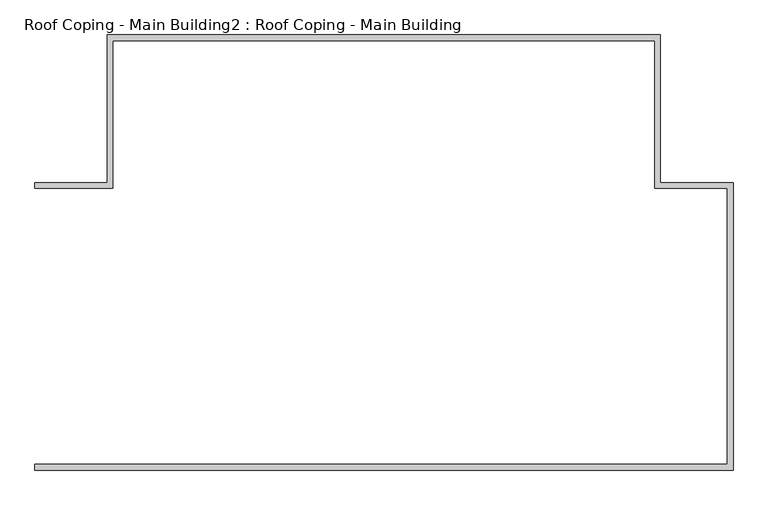
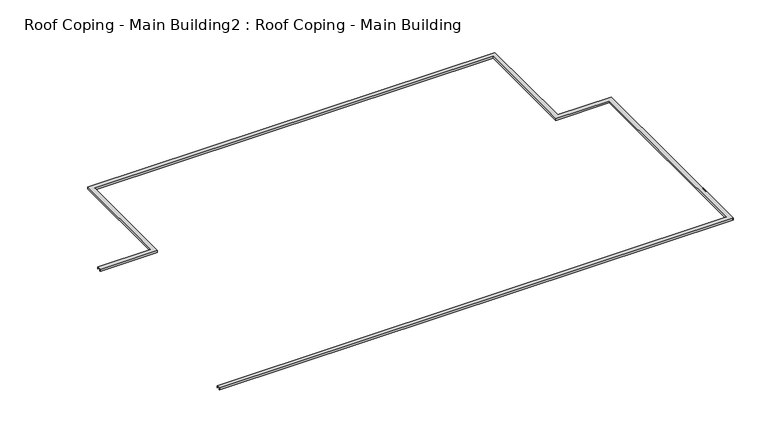
"""IFC4 building model written with IfcOpenShell, lengths in millimetres: proxy geometry, Roof Coping - Main Building2 : Roof Coping - Main Building."""

from ifc_helpers import new_model, si_unit, origin, place, context, project, spatial, faceted_brep, source, transform, mapped, element, save


def roof_coping_main_building2_roof_coping_main_building_052a3d39(model_context):
    return source(origin(), model_context, "Body", "Brep", [
        faceted_brep([(-57307.5749186, -23623.45659, 16000.0), (-57307.5749186, -23823.45659, 16000.0), (-57307.5749186, -23823.45659, 15910.0), (-57307.5749186, -23843.45659, 15910.0), (-57307.5749186, -23843.45659, 16020.0), (-57307.5749186, -23603.45659, 16020.0), (-57307.5749186, -23603.45659, 15910.0), (-57307.5749186, -23623.45659, 15910.0), (-28707.5749186, -23623.45659, 15910.0), (-28707.5749186, -23623.45659, 16000.0), (-28727.5749186, -23603.45659, 15910.0), (-28727.5749186, -12222.2248986, 15910.0), (-31727.5749186, -12222.2248986, 15910.0), (-31727.5749186, -6122.2248986, 15910.0), (-54087.5749186, -6122.2248986, 15910.0), (-54087.5749186, -12222.2248986, 15910.0), (-57307.5749186, -12222.2248986, 15910.0), (-57307.5749186, -12202.2248986, 15910.0), (-54107.5749186, -12202.2248986, 15910.0), (-54107.5749186, -6102.2248986, 15910.0), (-31707.5749186, -6102.2248986, 15910.0), (-31707.5749186, -12202.2248986, 15910.0), (-28707.5749186, -12202.2248986, 15910.0), (-28727.5749186, -23603.45659, 16020.0), (-28487.5749186, -23843.45659, 16020.0), (-28487.5749186, -11982.2248986, 16020.0), (-31487.5749186, -11982.2248986, 16020.0), (-31487.5749186, -5882.2248986, 16020.0), (-54327.5749186, -5882.2248986, 16020.0), (-54327.5749186, -11982.2248986, 16020.0), (-57307.5749186, -11982.2248986, 16020.0), (-57307.5749186, -12222.2248986, 16020.0), (-54087.5749186, -12222.2248986, 16020.0), (-54087.5749186, -6122.2248986, 16020.0), (-31727.5749186, -6122.2248986, 16020.0), (-31727.5749186, -12222.2248986, 16020.0), (-28727.5749186, -12222.2248986, 16020.0), (-28487.5749186, -23843.45659, 15910.0), (-28507.5749186, -23823.45659, 15910.0), (-28507.5749186, -12002.2248986, 15910.0), (-31507.5749186, -12002.2248986, 15910.0), (-31507.5749186, -5902.2248986, 15910.0), (-54307.5749186, -5902.2248986, 15910.0), (-54307.5749186, -12002.2248986, 15910.0), (-57307.5749186, -12002.2248986, 15910.0), (-57307.5749186, -11982.2248986, 15910.0), (-54327.5749186, -11982.2248986, 15910.0), (-54327.5749186, -5882.2248986, 15910.0), (-31487.5749186, -5882.2248986, 15910.0), (-31487.5749186, -11982.2248986, 15910.0), (-28487.5749186, -11982.2248986, 15910.0), (-28507.5749186, -23823.45659, 16000.0), (-28707.5749186, -12202.2248986, 16000.0), (-31707.5749186, -12202.2248986, 16000.0), (-31707.5749186, -6102.2248986, 16000.0), (-54107.5749186, -6102.2248986, 16000.0), (-54107.5749186, -12202.2248986, 16000.0), (-57307.5749186, -12202.2248986, 16000.0), (-57307.5749186, -12002.2248986, 16000.0), (-54307.5749186, -12002.2248986, 16000.0), (-54307.5749186, -5902.2248986, 16000.0), (-31507.5749186, -5902.2248986, 16000.0), (-31507.5749186, -12002.2248986, 16000.0), (-28507.5749186, -12002.2248986, 16000.0)], [[[0, 1, 2, 3, 4, 5, 6, 7]], [[0, 7, 8, 9]], [[7, 6, 10, 11, 12, 13, 14, 15, 16, 17, 18, 19, 20, 21, 22, 8]], [[6, 5, 23, 10]], [[5, 4, 24, 25, 26, 27, 28, 29, 30, 31, 32, 33, 34, 35, 36, 23]], [[4, 3, 37, 24]], [[3, 2, 38, 39, 40, 41, 42, 43, 44, 45, 46, 47, 48, 49, 50, 37]], [[2, 1, 51, 38]], [[1, 0, 9, 52, 53, 54, 55, 56, 57, 58, 59, 60, 61, 62, 63, 51]], [[9, 8, 22, 52]], [[10, 23, 36, 11]], [[24, 37, 50, 25]], [[38, 51, 63, 39]], [[52, 22, 21, 53]], [[11, 36, 35, 12]], [[25, 50, 49, 26]], [[39, 63, 62, 40]], [[53, 21, 20, 54]], [[12, 35, 34, 13]], [[26, 49, 48, 27]], [[40, 62, 61, 41]], [[54, 20, 19, 55]], [[13, 34, 33, 14]], [[27, 48, 47, 28]], [[41, 61, 60, 42]], [[55, 19, 18, 56]], [[14, 33, 32, 15]], [[28, 47, 46, 29]], [[42, 60, 59, 43]], [[57, 17, 16, 31, 30, 45, 44, 58]], [[56, 18, 17, 57]], [[15, 32, 31, 16]], [[29, 46, 45, 30]], [[43, 59, 58, 44]]]),
    ])


if __name__ == "__main__":
    model = new_model("IFC4")
    model_context = context("Model", 3, world=origin())
    ifc_project = project(units=[si_unit("LENGTHUNIT", "METRE", prefix="MILLI")], contexts=[model_context])
    site = spatial("IfcSite", under=ifc_project)
    building = spatial("IfcBuilding", under=site)
    placement = place(None, origin())
    roof_coping_main_building2_roof_coping_main_building_shape = roof_coping_main_building2_roof_coping_main_building_052a3d39(model_context)
    element("IfcBuildingElementProxy", 1, Name="Roof Coping - Main Building2 : Roof Coping - Main Building", ObjectType="Roof Coping - Main Building2 : Roof Coping - Main Building", at=placement, inside=building, context=model_context, shape_type="MappedRepresentation", body=[
        mapped(roof_coping_main_building2_roof_coping_main_building_shape, transform((0.0, 0.0, 0.0), x_axis=(1.0, 0.0, 0.0), y_axis=(0.0, 1.0, 0.0), z_axis=(0.0, 0.0, 1.0))),
    ])
    save(model, "model.ifc")
